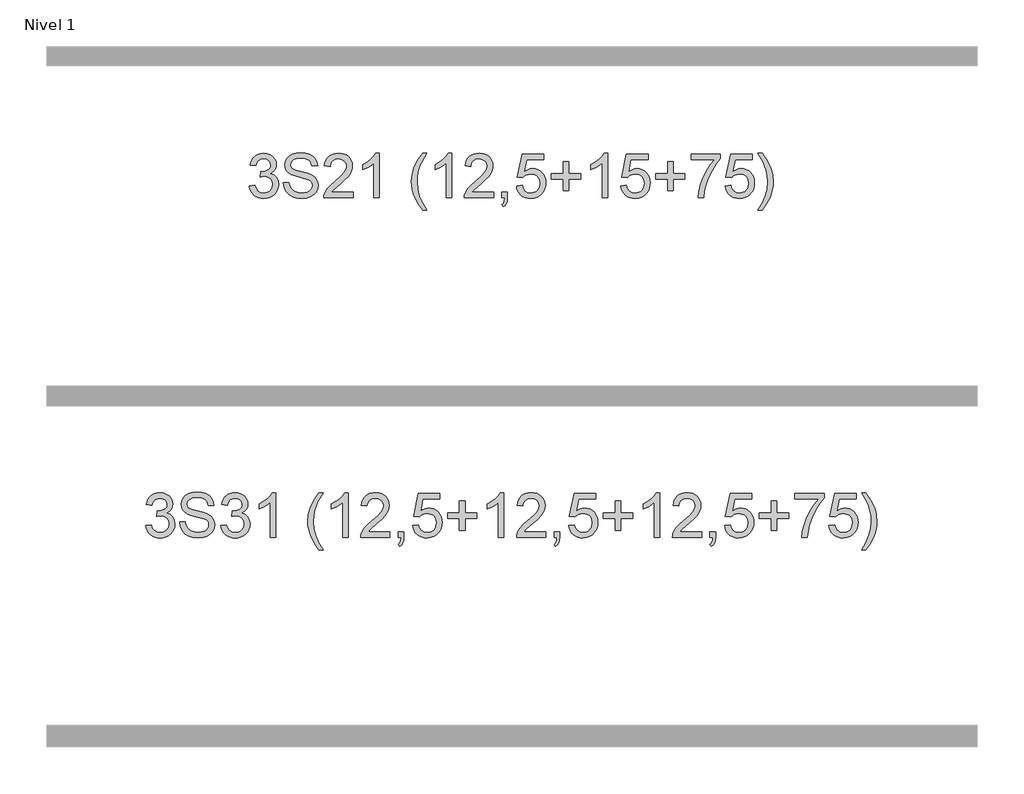
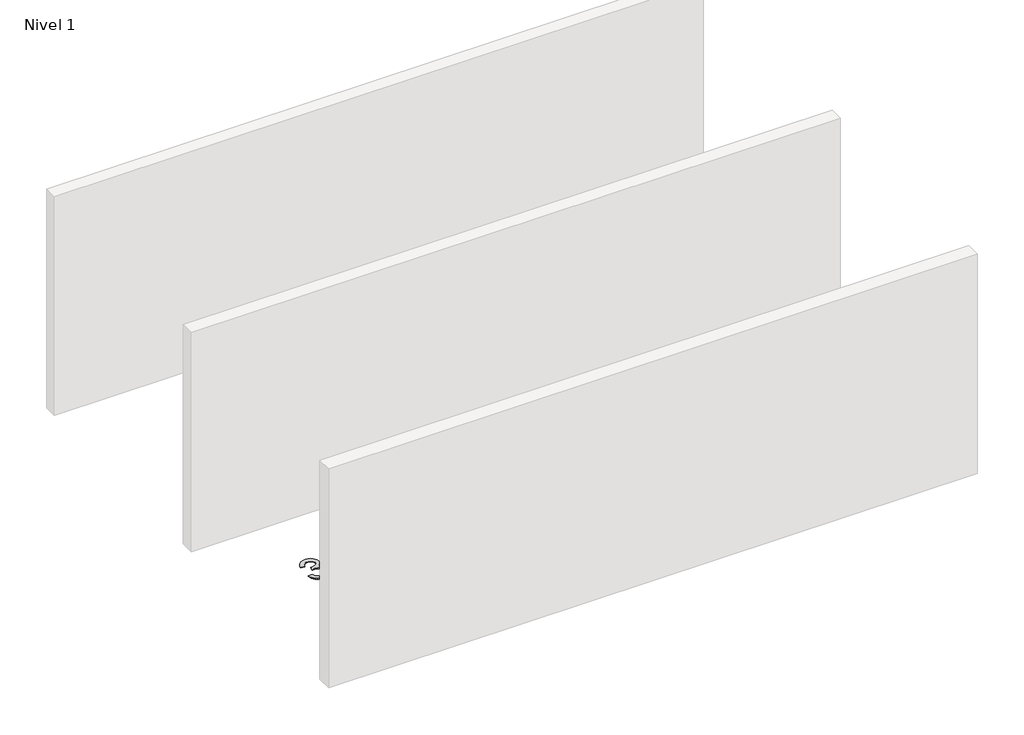
# One storey, part 2 of 13: 2 proxies.
"""IFC4 building model written with IfcOpenShell, lengths in millimetres."""

import ifcopenshell
import ifcopenshell.guid

model = None  # the IFC model being written
_history = None  # IfcOwnerHistory: only IFC2X3 demands one
_inside = {}  # id of a spatial element -> (the spatial element, [elements in it])
_under = {}  # id of a project, library or spatial element -> (it, [spatial elements below it])
_declared = {}  # id of a project -> (the project, [libraries it declares])
_typed = {}  # id of a type object -> (the type object, [elements of that type])
_made_of = {}  # id of a material, layer set ... -> (it, [elements and type objects made of it])


def new_model(schema):
    """Start an empty IFC model of exactly this schema.

    Asked for "IFC4X3", IfcOpenShell would pick the latest addendum, in which some entities
    have other attributes; the version numbers below select the first issue.
    IFC2X3 requires an IfcOwnerHistory on every rooted entity: one is made here for all.
    """
    global model, _history
    if schema == "IFC4X3":
        model = ifcopenshell.file(schema_version=(4, 3, 0, 0))
    else:
        model = ifcopenshell.file(schema=schema)
    _inside.clear()
    _under.clear()
    _declared.clear()
    _typed.clear()
    _made_of.clear()
    _history = None
    if model.schema == "IFC2X3":
        org = make("IfcOrganization", Name="unknown")
        user = make(
            "IfcPersonAndOrganization",
            ThePerson=make("IfcPerson", FamilyName="unknown"),
            TheOrganization=org,
        )
        app = make(
            "IfcApplication",
            ApplicationDeveloper=org,
            Version="unknown",
            ApplicationFullName="unknown",
            ApplicationIdentifier="unknown",
        )
        _history = make(
            "IfcOwnerHistory",
            OwningUser=user,
            OwningApplication=app,
            ChangeAction="ADDED",
            CreationDate=0,
        )
    return model


def make(cls, **values):
    """One entity of the class cls with the attributes given. An attribute that is None is left unset."""
    return model.create_entity(
        cls, **{name: value for name, value in values.items() if value is not None}
    )


def rooted(cls, **values):
    """An entity with a GlobalId (a new one), such as an element, a storey or a relation."""
    return make(cls, GlobalId=ifcopenshell.guid.new(), OwnerHistory=_history, **values)


def si_unit(unit_type, name, prefix=None):
    """IfcSIUnit, for example si_unit("LENGTHUNIT", "METRE", prefix="MILLI")."""
    return make("IfcSIUnit", UnitType=unit_type, Prefix=prefix, Name=name)


def assignment(units):
    """IfcUnitAssignment: the units of a project."""
    return None if units is None else make("IfcUnitAssignment", Units=units)


def point(xyz):
    """IfcCartesianPoint."""
    return None if xyz is None else make("IfcCartesianPoint", Coordinates=xyz)


def direction(xyz):
    """IfcDirection."""
    return None if xyz is None else make("IfcDirection", DirectionRatios=xyz)


def frame(location, z_axis=None, x_axis=None):
    """IfcAxis2Placement3D, a coordinate frame: its origin and axes. An axis left out is left unset."""
    return make(
        "IfcAxis2Placement3D",
        Location=point(location),
        Axis=direction(z_axis),
        RefDirection=direction(x_axis),
    )


def origin():
    """The frame at (0, 0, 0) with its axes left unset."""
    return frame((0.0, 0.0, 0.0))


def origin_with_axes():
    """The frame at (0, 0, 0) with the z axis (0, 0, 1) and the x axis (1, 0, 0) written out."""
    return frame((0.0, 0.0, 0.0), z_axis=(0.0, 0.0, 1.0), x_axis=(1.0, 0.0, 0.0))


def place(relative_to, where):
    """IfcLocalPlacement: puts the frame where relative to a parent placement (None: the world)."""
    return make(
        "IfcLocalPlacement", PlacementRelTo=relative_to, RelativePlacement=where
    )


def context(
    kind, dimensions, precision=None, world=None, true_north=None, identifier=None
):
    """IfcGeometricRepresentationContext, for example the 3D "Model" context."""
    return make(
        "IfcGeometricRepresentationContext",
        ContextIdentifier=identifier,
        ContextType=kind,
        CoordinateSpaceDimension=dimensions,
        Precision=precision,
        WorldCoordinateSystem=world,
        TrueNorth=true_north,
    )


def project(units=None, contexts=None):
    """IfcProject with its units and contexts."""
    return rooted(
        "IfcProject",
        Name="project",
        RepresentationContexts=contexts,
        UnitsInContext=assignment(units),
    )


def spatial(cls, under=None, at=None, **own):
    """A site, building, storey or space (cls), placed at a placement, below another one or the project."""
    s = rooted(cls, ObjectPlacement=at, **own)
    if under is not None:
        _under.setdefault(under.id(), (under, []))[1].append(s)
    return s


def polyline(points):
    """IfcPolyline through the points."""
    return make("IfcPolyline", Points=[point(p) for p in points])


def outline(outer, holes=None, kind="AREA"):
    """IfcArbitraryClosedProfileDef: a profile drawn as a closed curve; with holes, ...WithVoids."""
    if holes is None:
        return make("IfcArbitraryClosedProfileDef", ProfileType=kind, OuterCurve=outer)
    return make(
        "IfcArbitraryProfileDefWithVoids",
        ProfileType=kind,
        OuterCurve=outer,
        InnerCurves=holes,
    )


def extrude(swept, where, along, depth):
    """IfcExtrudedAreaSolid: the profile swept, set in the frame where, extruded along a direction by depth."""
    return make(
        "IfcExtrudedAreaSolid",
        SweptArea=swept,
        Position=where,
        ExtrudedDirection=direction(along),
        Depth=depth,
    )


def shape(context_of_items, identifier, shape_type, items):
    """IfcShapeRepresentation: the items that make up one representation, for example the "Body"."""
    return make(
        "IfcShapeRepresentation",
        ContextOfItems=context_of_items,
        RepresentationIdentifier=identifier,
        RepresentationType=shape_type,
        Items=items,
    )


def made_of(thing, what):
    """Note that an element or type object is made of a material, layer set ...; save() writes the relation."""
    if what is not None:
        _made_of.setdefault(what.id(), (what, []))[1].append(thing)
    return thing


def element(
    cls,
    number,
    at=None,
    inside=None,
    cuts=None,
    type_object=None,
    material=None,
    context=None,
    identifier="Body",
    shape_type=None,
    held_by="IfcProductDefinitionShape",
    body=None,
    shapes=None,
    **own,
):
    """One element of the class cls, such as IfcWall. Its Tag is "e" and its number.

    at: its placement. inside: the storey or other place that contains it. cuts: it is an
    opening in that element (IfcRelVoidsElement). A single representation is given by context,
    identifier, shape_type and body (its items); several are given by shapes. held_by: the class
    of the entity that holds the representations. save() writes the other relations.
    """
    e = rooted(cls, Tag="e%d" % number, ObjectPlacement=at, **own)
    if body is not None:
        shapes = [shape(context, identifier, shape_type, body)]
    if shapes is not None:
        e.Representation = make(held_by, Representations=shapes)
    if inside is not None:
        _inside.setdefault(inside.id(), (inside, []))[1].append(e)
    if cuts is not None:
        rooted(
            "IfcRelVoidsElement", RelatingBuildingElement=cuts, RelatedOpeningElement=e
        )
    if type_object is not None:
        _typed.setdefault(type_object.id(), (type_object, []))[1].append(e)
    return made_of(e, material)


def aggregate(whole, parts):
    """IfcRelAggregates: a whole, such as a stair, and the parts it consists of."""
    return rooted("IfcRelAggregates", RelatingObject=whole, RelatedObjects=parts)


def save(model, path):
    """Write the relations noted so far, then the file.

    IfcRelAggregates (storeys below a building ...), IfcRelContainedInSpatialStructure (elements
    in a storey), IfcRelDefinesByType, IfcRelAssociatesMaterial and IfcRelDeclares: one each for
    every whole, place, type object, material and project.
    """
    for whole, parts in _under.values():
        aggregate(whole, parts)
    for where, things in _inside.values():
        rooted(
            "IfcRelContainedInSpatialStructure",
            RelatedElements=things,
            RelatingStructure=where,
        )
    for kind, things in _typed.values():
        rooted("IfcRelDefinesByType", RelatedObjects=things, RelatingType=kind)
    for what, things in _made_of.values():
        rooted("IfcRelAssociatesMaterial", RelatedObjects=things, RelatingMaterial=what)
    for by, libraries in _declared.values():
        rooted("IfcRelDeclares", RelatingContext=by, RelatedDefinitions=libraries)
    model.write(path)


model = new_model("IFC4")

# Units and contexts
model_context = context("Model", 3, world=origin())
ifc_project = project(units=[si_unit("LENGTHUNIT", "METRE", prefix="MILLI")], contexts=[model_context])

# Site, building, storey
site = spatial("IfcSite", under=ifc_project)
building = spatial("IfcBuilding", under=site)
storey = spatial("IfcBuildingStorey", under=building, Name="Nivel 1", Elevation=0.0)

# Proxies
placement = place(None, origin())
element("IfcBuildingElementProxy", 1, Name="Texto de modelo 1", ObjectType="Texto de modelo 1", at=placement, inside=storey, context=model_context, shape_type="SweptSolid", body=[
    extrude(outline(polyline([(-24347.5590659, -17078.8446235), (-24297.3309108, -17072.5661041), (-24286.0859845, -17104.1303793), (-24269.6171339, -17125.4430095), (-24247.1150185, -17137.5831154), (-24217.770298, -17141.6298173), (-24183.3365433, -17136.0625364), (-24169.0627219, -17129.1034354), (-24156.7509378, -17119.3606939), (-24139.7547896, -17094.4428201), (-24134.0894068, -17064.2274455), (-24139.7057386, -17035.5449126), (-24156.554734, -17012.2825078), (-24182.061219, -16996.8682522), (-24213.6500197, -16991.730167), (-24248.8685893, -16997.2238715), (-24243.276783, -16946.9957164), (-24235.2324301, -16947.5843276), (-24205.1396829, -16943.979084), (-24178.2352463, -16933.1633534), (-24167.1619982, -16924.9841103), (-24159.2525353, -16914.8673555), (-24154.5068576, -16902.8130888), (-24152.924965, -16888.8213102), (-24157.5112272, -16867.1285352), (-24171.2700138, -16849.5315131), (-24192.263813, -16837.8696539), (-24218.5551129, -16833.9823675), (-24244.8954638, -16837.9064421), (-24266.4288232, -16849.6786659), (-24282.1496472, -16869.299039), (-24291.0523915, -16896.7675613), (-24341.2805465, -16890.4890419), (-24335.3269896, -16866.5092672), (-24326.4916903, -16845.3867093), (-24314.7746488, -16827.1213683), (-24300.1758649, -16811.713244), (-24283.1551913, -16799.4811677), (-24264.1724803, -16790.7439703), (-24243.2277321, -16785.5016519), (-24220.3209465, -16783.7542124), (-24188.7444086, -16787.2000404), (-24159.7430446, -16797.5375245), (-24135.2911547, -16813.8469596), (-24117.3630388, -16835.2086408), (-24106.3633671, -16859.8199463), (-24102.6968099, -16885.8782543), (-24106.1794261, -16910.1584659), (-24116.6272748, -16932.1823347), (-24133.8932031, -16950.9443165), (-24157.8300583, -16965.4388671), (-24126.3884104, -16978.1430586), (-24103.0892174, -16999.77452), (-24088.6682432, -17029.1560286), (-24083.8612518, -17065.1103623), (-24086.2647475, -17090.5923218), (-24093.4752346, -17114.0631931), (-24105.4927131, -17135.5229762), (-24122.317183, -17154.971671), (-24142.8143415, -17171.1094278), (-24165.8498858, -17182.636397), (-24191.4238158, -17189.5525785), (-24219.5361316, -17191.8579724), (-24244.9445147, -17189.8898037), (-24268.096555, -17183.9852977), (-24288.9922523, -17174.1444543), (-24307.6316067, -17160.3672736), (-24323.2604601, -17143.4630959), (-24335.1246545, -17124.2412617), (-24343.2241897, -17102.7017708), (-24347.5590659, -17078.8446235)])), origin_with_axes(), (0.0, 0.0, 1.0), 10.0),
    extrude(outline(polyline([(-24039.9116161, -17047.4520265), (-23989.683461, -17047.4520265), (-23983.9199764, -17075.325219), (-23973.4966532, -17097.7292325), (-23957.236269, -17115.5101956), (-23933.9616015, -17129.5142369), (-23905.5120605, -17138.6009222), (-23873.7270561, -17141.6298173), (-23845.743499, -17139.3366862), (-23821.2425582, -17132.4572929), (-23801.3891931, -17121.5679858), (-23787.3483637, -17107.2451135), (-23778.9974424, -17090.8007883), (-23776.2138019, -17073.5471227), (-23778.2984666, -17056.7349155), (-23784.5524605, -17042.2035767), (-23797.2566521, -17029.8059535), (-23818.6919097, -17019.394893), (-23891.8268503, -17000.2159784), (-23939.8354507, -16987.5240495), (-23970.5535973, -16975.4452573), (-23995.5573102, -16958.547211), (-24013.2769596, -16938.0684466), (-24023.8351729, -16914.4504225), (-24027.3545773, -16888.1345972), (-24023.001307, -16858.7163003), (-24009.9414962, -16831.2845662), (-23988.5185014, -16808.0344241), (-23959.075679, -16791.1609032), (-23923.734482, -16780.8969956), (-23884.6163632, -16777.475693), (-23842.2363573, -16781.0564111), (-23805.1538522, -16791.7985654), (-23774.693223, -16809.4814266), (-23752.1788449, -16833.8842656), (-23737.929549, -16863.4865035), (-23732.2641663, -16896.7675613), (-23782.4923213, -16896.7675613), (-23791.7138967, -16866.7974414), (-23800.0770807, -16854.9393785), (-23810.9418623, -16845.1659801), (-23840.9855586, -16832.0693811), (-23882.6543259, -16827.7038481), (-23925.3041119, -16832.0203302), (-23941.6074156, -16837.4159328), (-23954.5629932, -16844.9697764), (-23971.485565, -16864.0260637), (-23977.1264222, -16886.6630692), (-23973.1287712, -16905.9646112), (-23961.1358182, -16921.4892314), (-23932.7843791, -16935.3706453), (-23879.1226587, -16949.5463649), (-23823.7441557, -16963.0108459), (-23790.2423687, -16974.7585443), (-23761.6088867, -16992.9809658), (-23741.6328944, -17015.4708184), (-23729.8974587, -17041.9828475), (-23725.9856469, -17072.2717985), (-23730.4860699, -17103.2351997), (-23743.9873392, -17132.359191), (-23765.9376315, -17157.4242176), (-23795.7851241, -17176.2107248), (-23831.6781441, -17187.9461605), (-23871.7650188, -17191.8579724), (-23920.975367, -17187.6395922), (-23961.4791747, -17174.9844515), (-23993.7424257, -17153.8434995), (-24018.2311038, -17124.1676853), (-24033.9519278, -17088.0171479), (-24039.9116161, -17047.4520265)])), origin_with_axes(), (0.0, 0.0, 1.0), 10.0),
    extrude(outline(polyline([(-23412.0596776, -17135.3512979), (-23412.0596776, -17185.579453), (-23675.7574918, -17185.579453), (-23674.6538458, -17167.8965918), (-23670.3618892, -17150.9494945), (-23657.9765287, -17123.8856424), (-23639.8522091, -17097.6311307), (-23613.6344855, -17070.1503456), (-23576.9689134, -17039.4076736), (-23522.7676327, -16991.2641831), (-23490.2468644, -16955.7267824), (-23473.9864802, -16926.884834), (-23468.5663521, -16898.8277005), (-23473.6799118, -16873.6768347), (-23489.020591, -16852.7688747), (-23512.6018269, -16838.6789943), (-23542.4370567, -16833.9823675), (-23573.76834, -16838.5686297), (-23598.1098653, -16852.3274163), (-23613.8184265, -16874.1796068), (-23619.2508173, -16903.0460807), (-23669.4789724, -16896.7675613), (-23665.1594246, -16870.838012), (-23657.3020784, -16848.1826125), (-23645.9069336, -16828.8013627), (-23630.9739902, -16812.6942627), (-23612.8466049, -16800.0329907), (-23591.8681342, -16790.989225), (-23568.0385779, -16785.5629655), (-23541.3579362, -16783.7542124), (-23514.4381712, -16785.7653006), (-23490.4798563, -16791.7985654), (-23469.4829914, -16801.8540066), (-23451.4475766, -16815.9316242), (-23436.962223, -16832.9890861), (-23426.6155419, -16851.9840598), (-23420.4075333, -16872.9165453), (-23418.338197, -16895.7865427), (-23420.5700145, -16919.8092369), (-23427.2654668, -16943.4149983), (-23439.1480552, -16967.4254299), (-23456.9412811, -16992.6621347), (-23485.3049829, -17022.7916701), (-23528.8989993, -17061.4805933), (-23586.680998, -17109.795762), (-23609.3425289, -17135.3512979), (-23412.0596776, -17135.3512979)])), origin_with_axes(), (0.0, 0.0, 1.0), 10.0),
    extrude(outline(polyline([(-23173.475941, -17185.579453), (-23223.7040961, -17185.579453), (-23223.7040961, -16872.4382987), (-23244.6733698, -16889.3976587), (-23271.2835008, -16906.3324932), (-23324.1604063, -16931.6918254), (-23324.1604063, -16884.2105225), (-23284.7111937, -16862.7507395), (-23250.5349563, -16837.219729), (-23223.5937315, -16810.0700378), (-23205.8495566, -16783.7542124), (-23173.475941, -16783.7542124), (-23173.475941, -17185.579453)])), origin_with_axes(), (0.0, 0.0, 1.0), 10.0),
    extrude(outline(polyline([(-22784.2077392, -17298.5928019), (-22823.1296543, -17243.9745884), (-22855.5277953, -17180.7724616), (-22868.2749065, -17146.7188516), (-22877.3799859, -17112.0521049), (-22882.8430335, -17076.7722216), (-22884.6640494, -17040.8792016), (-22879.2193958, -16978.4618897), (-22862.8854352, -16918.7423792), (-22830.4627687, -16851.101143), (-22784.2077392, -16783.7542124), (-22746.5366229, -16783.7542124), (-22793.5274164, -16863.3148252), (-22809.5670714, -16901.0840434), (-22821.7807537, -16940.4228914), (-22831.2721091, -16990.6755719), (-22834.4358943, -17041.1735072), (-22828.9421898, -17105.565119), (-22812.4610764, -17169.9322055), (-22784.9925541, -17234.2747664), (-22746.5366229, -17298.5928019), (-22784.2077392, -17298.5928019)])), origin_with_axes(), (0.0, 0.0, 1.0), 10.0),
    extrude(outline(polyline([(-22520.5099251, -17185.579453), (-22570.7380801, -17185.579453), (-22570.7380801, -16872.4382987), (-22591.7073539, -16889.3976587), (-22618.3174849, -16906.3324932), (-22671.1943903, -16931.6918254), (-22671.1943903, -16884.2105225), (-22631.7451777, -16862.7507395), (-22597.5689403, -16837.219729), (-22570.6277155, -16810.0700378), (-22552.8835406, -16783.7542124), (-22520.5099251, -16783.7542124), (-22520.5099251, -17185.579453)])), origin_with_axes(), (0.0, 0.0, 1.0), 10.0),
    extrude(outline(polyline([(-22143.798762, -17135.3512979), (-22143.798762, -17185.579453), (-22407.4965762, -17185.579453), (-22406.3929302, -17167.8965918), (-22402.1009736, -17150.9494945), (-22389.7156131, -17123.8856424), (-22371.5912934, -17097.6311307), (-22345.3735699, -17070.1503456), (-22308.7079977, -17039.4076736), (-22254.5067171, -16991.2641831), (-22221.9859487, -16955.7267824), (-22205.7255645, -16926.884834), (-22200.3054365, -16898.8277005), (-22205.4189962, -16873.6768347), (-22220.7596754, -16852.7688747), (-22244.3409113, -16838.6789943), (-22274.1761411, -16833.9823675), (-22305.5074244, -16838.5686297), (-22329.8489497, -16852.3274163), (-22345.5575109, -16874.1796068), (-22350.9899017, -16903.0460807), (-22401.2180568, -16896.7675613), (-22396.898509, -16870.838012), (-22389.0411627, -16848.1826125), (-22377.6460179, -16828.8013627), (-22362.7130746, -16812.6942627), (-22344.5856893, -16800.0329907), (-22323.6072185, -16790.989225), (-22299.7776623, -16785.5629655), (-22273.0970206, -16783.7542124), (-22246.1772556, -16785.7653006), (-22222.2189406, -16791.7985654), (-22201.2220758, -16801.8540066), (-22183.186661, -16815.9316242), (-22168.7013074, -16832.9890861), (-22158.3546263, -16851.9840598), (-22152.1466176, -16872.9165453), (-22150.0772814, -16895.7865427), (-22152.3090988, -16919.8092369), (-22159.0045511, -16943.4149983), (-22170.8871396, -16967.4254299), (-22188.6803654, -16992.6621347), (-22217.0440672, -17022.7916701), (-22260.6380837, -17061.4805933), (-22318.4200824, -17109.795762), (-22341.0816133, -17135.3512979), (-22143.798762, -17135.3512979)])), origin_with_axes(), (0.0, 0.0, 1.0), 10.0),
    extrude(outline(polyline([(-22068.4565294, -17185.579453), (-22068.4565294, -17135.3512979), (-22018.2283743, -17135.3512979), (-22018.2283743, -17185.579453), (-22020.4847172, -17214.3110368), (-22027.2537459, -17236.9357795), (-22038.9278679, -17254.287547), (-22055.8994906, -17267.200205), (-22068.4565294, -17248.3646468), (-22057.5672223, -17239.2656988), (-22050.0133787, -17226.6841346), (-22045.4271165, -17209.246528), (-22043.4405537, -17185.579453), (-22068.4565294, -17185.579453)])), origin_with_axes(), (0.0, 0.0, 1.0), 10.0),
    extrude(outline(polyline([(-21936.6076223, -17078.8446235), (-21886.3794673, -17072.5661041), (-21877.1578919, -17102.7201649), (-21861.069186, -17124.3148381), (-21838.1869259, -17137.3010725), (-21808.584688, -17141.6298173), (-21789.4548243, -17140.1245668), (-21772.5813034, -17135.6088153), (-21757.9641255, -17128.0825628), (-21745.6032904, -17117.5458094), (-21735.7747098, -17104.519721), (-21728.7542951, -17089.5254641), (-21723.1379633, -17053.6324441), (-21728.3986758, -17019.8363514), (-21734.9745665, -17005.9181493), (-21744.1808134, -16993.9865099), (-21756.0480734, -16984.4154467), (-21770.6070034, -16977.5789729), (-21807.7998731, -16972.1097939), (-21832.1659239, -16974.2925604), (-21851.8966616, -16980.8408599), (-21867.6542737, -16990.8717757), (-21880.1009479, -17003.5023908), (-21930.3291029, -16997.2238715), (-21886.3794673, -16790.0327318), (-21691.7453663, -16790.0327318), (-21691.7453663, -16840.2608869), (-21845.765295, -16840.2608869), (-21867.2496035, -16950.919791), (-21849.5238227, -16938.2155994), (-21831.3688462, -16929.1411769), (-21812.7846741, -16923.6965234), (-21793.7713063, -16921.8816388), (-21769.3102193, -16924.1318504), (-21746.8418265, -16930.882485), (-21726.3661278, -16942.1335427), (-21707.8831232, -16957.8850234), (-21692.5822979, -16977.1743027), (-21681.6531369, -16999.038756), (-21675.0956404, -17023.4783832), (-21672.9098082, -17050.4931844), (-21674.8779769, -17076.5147042), (-21680.7824829, -17100.7213394), (-21690.6233263, -17123.1130902), (-21704.400507, -17143.6899565), (-21725.2716788, -17164.7634634), (-21749.6254669, -17179.8159684), (-21777.4618712, -17188.8474714), (-21808.7808917, -17191.8579724), (-21834.701244, -17189.9235262), (-21858.1138673, -17184.1201877), (-21879.0187617, -17174.447957), (-21897.4159271, -17160.9068338), (-21912.7228838, -17144.1712688), (-21924.3571519, -17124.915712), (-21932.3187314, -17103.1401636), (-21936.6076223, -17078.8446235)])), origin_with_axes(), (0.0, 0.0, 1.0), 10.0),
    extrude(outline(polyline([(-21515.9468236, -17122.7942591), (-21515.9468236, -17016.0594296), (-21622.6816531, -17016.0594296), (-21622.6816531, -16965.8312745), (-21515.9468236, -16965.8312745), (-21515.9468236, -16859.096445), (-21465.7186685, -16859.096445), (-21465.7186685, -16965.8312745), (-21358.983839, -16965.8312745), (-21358.983839, -17016.0594296), (-21465.7186685, -17016.0594296), (-21465.7186685, -17122.7942591), (-21515.9468236, -17122.7942591)])), origin_with_axes(), (0.0, 0.0, 1.0), 10.0),
    extrude(outline(polyline([(-21114.121583, -17185.579453), (-21164.3497381, -17185.579453), (-21164.3497381, -16872.4382987), (-21185.3190118, -16889.3976587), (-21211.9291428, -16906.3324932), (-21264.8060482, -16931.6918254), (-21264.8060482, -16884.2105225), (-21225.3568356, -16862.7507395), (-21191.1805982, -16837.219729), (-21164.2393735, -16810.0700378), (-21146.4951986, -16783.7542124), (-21114.121583, -16783.7542124), (-21114.121583, -17185.579453)])), origin_with_axes(), (0.0, 0.0, 1.0), 10.0),
    extrude(outline(polyline([(-20994.8297147, -17078.8446235), (-20944.6015596, -17072.5661041), (-20935.3799843, -17102.7201649), (-20919.2912783, -17124.3148381), (-20896.4090182, -17137.3010725), (-20866.8067804, -17141.6298173), (-20847.6769166, -17140.1245668), (-20830.8033958, -17135.6088153), (-20816.1862178, -17128.0825628), (-20803.8253828, -17117.5458094), (-20793.9968021, -17104.519721), (-20786.9763874, -17089.5254641), (-20781.3600556, -17053.6324441), (-20786.6207681, -17019.8363514), (-20793.1966588, -17005.9181493), (-20802.4029057, -16993.9865099), (-20814.2701658, -16984.4154467), (-20828.8290957, -16977.5789729), (-20866.0219654, -16972.1097939), (-20890.3880162, -16974.2925604), (-20910.1187539, -16980.8408599), (-20925.876366, -16990.8717757), (-20938.3230402, -17003.5023908), (-20988.5511953, -16997.2238715), (-20944.6015596, -16790.0327318), (-20749.9674587, -16790.0327318), (-20749.9674587, -16840.2608869), (-20903.9873873, -16840.2608869), (-20925.4716958, -16950.919791), (-20907.745915, -16938.2155994), (-20889.5909386, -16929.1411769), (-20871.0067665, -16923.6965234), (-20851.9933987, -16921.8816388), (-20827.5323117, -16924.1318504), (-20805.0639188, -16930.882485), (-20784.5882201, -16942.1335427), (-20766.1052155, -16957.8850234), (-20750.8043902, -16977.1743027), (-20739.8752293, -16999.038756), (-20733.3177327, -17023.4783832), (-20731.1319005, -17050.4931844), (-20733.1000692, -17076.5147042), (-20739.0045752, -17100.7213394), (-20748.8454186, -17123.1130902), (-20762.6225993, -17143.6899565), (-20783.4937712, -17164.7634634), (-20807.8475593, -17179.8159684), (-20835.6839636, -17188.8474714), (-20867.0029841, -17191.8579724), (-20892.9233363, -17189.9235262), (-20916.3359596, -17184.1201877), (-20937.240854, -17174.447957), (-20955.6380195, -17160.9068338), (-20970.9449761, -17144.1712688), (-20982.5792442, -17124.915712), (-20990.5408237, -17103.1401636), (-20994.8297147, -17078.8446235)])), origin_with_axes(), (0.0, 0.0, 1.0), 10.0),
    extrude(outline(polyline([(-20574.1689159, -17122.7942591), (-20574.1689159, -17016.0594296), (-20680.9037455, -17016.0594296), (-20680.9037455, -16965.8312745), (-20574.1689159, -16965.8312745), (-20574.1689159, -16859.096445), (-20523.9407608, -16859.096445), (-20523.9407608, -16965.8312745), (-20417.2059313, -16965.8312745), (-20417.2059313, -17016.0594296), (-20523.9407608, -17016.0594296), (-20523.9407608, -17122.7942591), (-20574.1689159, -17122.7942591)])), origin_with_axes(), (0.0, 0.0, 1.0), 10.0),
    extrude(outline(polyline([(-20360.6992569, -16840.2608869), (-20360.6992569, -16790.0327318), (-20097.0014427, -16790.0327318), (-20097.0014427, -16830.646904), (-20134.5867199, -16878.214046), (-20171.8041151, -16938.7061088), (-20204.6314518, -17006.6048623), (-20229.0465535, -17076.3920768), (-20241.0149811, -17128.6067947), (-20247.6859079, -17185.579453), (-20297.914063, -17185.579453), (-20292.4816722, -17133.8061935), (-20277.9503334, -17072.2717985), (-20254.712454, -17007.0463207), (-20223.1604416, -16944.1998132), (-20186.3231911, -16887.3865704), (-20147.2295978, -16840.2608869), (-20360.6992569, -16840.2608869)])), origin_with_axes(), (0.0, 0.0, 1.0), 10.0),
    extrude(outline(polyline([(-20053.051807, -17078.8446235), (-20002.8236519, -17072.5661041), (-19993.6020766, -17102.7201649), (-19977.5133707, -17124.3148381), (-19954.6311106, -17137.3010725), (-19925.0288727, -17141.6298173), (-19905.899009, -17140.1245668), (-19889.0254881, -17135.6088153), (-19874.4083102, -17128.0825628), (-19862.0474751, -17117.5458094), (-19852.2188945, -17104.519721), (-19845.1984797, -17089.5254641), (-19839.582148, -17053.6324441), (-19844.8428605, -17019.8363514), (-19851.4187511, -17005.9181493), (-19860.6249981, -16993.9865099), (-19872.4922581, -16984.4154467), (-19887.0511881, -16977.5789729), (-19924.2440578, -16972.1097939), (-19948.6101086, -16974.2925604), (-19968.3408463, -16980.8408599), (-19984.0984584, -16990.8717757), (-19996.5451326, -17003.5023908), (-20046.7732876, -16997.2238715), (-20002.8236519, -16790.0327318), (-19808.189551, -16790.0327318), (-19808.189551, -16840.2608869), (-19962.2094797, -16840.2608869), (-19983.6937882, -16950.919791), (-19965.9680074, -16938.2155994), (-19947.8130309, -16929.1411769), (-19929.2288588, -16923.6965234), (-19910.215491, -16921.8816388), (-19885.754404, -16924.1318504), (-19863.2860112, -16930.882485), (-19842.8103125, -16942.1335427), (-19824.3273079, -16957.8850234), (-19809.0264826, -16977.1743027), (-19798.0973216, -16999.038756), (-19791.5398251, -17023.4783832), (-19789.3539929, -17050.4931844), (-19791.3221616, -17076.5147042), (-19797.2266676, -17100.7213394), (-19807.0675109, -17123.1130902), (-19820.8446917, -17143.6899565), (-19841.7158635, -17164.7634634), (-19866.0696516, -17179.8159684), (-19893.9060559, -17188.8474714), (-19925.2250764, -17191.8579724), (-19951.1454287, -17189.9235262), (-19974.558052, -17184.1201877), (-19995.4629464, -17174.447957), (-20013.8601118, -17160.9068338), (-20029.1670685, -17144.1712688), (-20040.8013366, -17124.915712), (-20048.7629161, -17103.1401636), (-20053.051807, -17078.8446235)])), origin_with_axes(), (0.0, 0.0, 1.0), 10.0),
    extrude(outline(polyline([(-19720.2902797, -17298.5928019), (-19757.961396, -17298.5928019), (-19719.5054647, -17234.2747664), (-19692.0369424, -17169.9322055), (-19675.555829, -17105.565119), (-19670.0621246, -17041.1735072), (-19673.2259097, -16991.0434539), (-19682.7172652, -16941.3058082), (-19694.7102183, -16901.8933838), (-19710.6762968, -16864.0996401), (-19757.961396, -16783.7542124), (-19720.2902797, -16783.7542124), (-19674.0352501, -16851.101143), (-19641.6125836, -16918.7423792), (-19625.278623, -16978.4618897), (-19619.8339695, -17040.8792016), (-19621.6641824, -17076.7722216), (-19627.1548212, -17112.0521049), (-19636.3058858, -17146.7188516), (-19649.1173763, -17180.7724616), (-19681.5523056, -17243.9745884), (-19720.2902797, -17298.5928019)])), origin_with_axes(), (0.0, 0.0, 1.0), 10.0),
])
element("IfcBuildingElementProxy", 2, Name="Texto de modelo 1", ObjectType="Texto de modelo 1", at=placement, inside=storey, context=model_context, shape_type="SweptSolid", body=[
    extrude(outline(polyline([(-25283.0584542, -20143.8446235), (-25232.8302991, -20137.5661041), (-25221.5853728, -20169.1303793), (-25205.1165221, -20190.4430095), (-25182.6144068, -20202.5831154), (-25153.2696863, -20206.6298173), (-25118.8359315, -20201.0625364), (-25104.5621101, -20194.1034354), (-25092.250326, -20184.3606939), (-25075.2541778, -20159.4428201), (-25069.5887951, -20129.2274455), (-25075.2051269, -20100.5449126), (-25092.0541223, -20077.2825078), (-25117.5606073, -20061.8682522), (-25149.1494079, -20056.730167), (-25184.3679776, -20062.2238715), (-25178.7761713, -20011.9957164), (-25170.7318183, -20012.5843276), (-25140.6390711, -20008.979084), (-25113.7346345, -19998.1633534), (-25102.6613865, -19989.9841103), (-25094.7519236, -19979.8673555), (-25090.0062458, -19967.8130888), (-25088.4243533, -19953.8213102), (-25093.0106155, -19932.1285352), (-25106.7694021, -19914.5315131), (-25127.7632013, -19902.8696539), (-25154.0545012, -19898.9823675), (-25180.3948521, -19902.9064421), (-25201.9282115, -19914.6786659), (-25217.6490354, -19934.299039), (-25226.5517797, -19961.7675613), (-25276.7799348, -19955.4890419), (-25270.8263778, -19931.5092672), (-25261.9910786, -19910.3867093), (-25250.274037, -19892.1213683), (-25235.6752532, -19876.713244), (-25218.6545796, -19864.4811677), (-25199.6718686, -19855.7439703), (-25178.7271204, -19850.5016519), (-25155.8203348, -19848.7542124), (-25124.2437969, -19852.2000404), (-25095.2424329, -19862.5375245), (-25070.790543, -19878.8469596), (-25052.8624271, -19900.2086408), (-25041.8627554, -19924.8199463), (-25038.1961982, -19950.8782543), (-25041.6788144, -19975.1584659), (-25052.1266631, -19997.1823347), (-25069.3925914, -20015.9443165), (-25093.3294465, -20030.4388671), (-25061.8877987, -20043.1430586), (-25038.5886057, -20064.77452), (-25024.1676314, -20094.1560286), (-25019.36064, -20130.1103623), (-25021.7641357, -20155.5923218), (-25028.9746228, -20179.0631931), (-25040.9921014, -20200.5229762), (-25057.8165713, -20219.971671), (-25078.3137298, -20236.1094278), (-25101.349274, -20247.636397), (-25126.9232041, -20254.5525785), (-25155.0355199, -20256.8579724), (-25180.443903, -20254.8898037), (-25203.5959432, -20248.9852977), (-25224.4916406, -20239.1444543), (-25243.130995, -20225.3672736), (-25258.7598484, -20208.4630959), (-25270.6240427, -20189.2412617), (-25278.723578, -20167.7017708), (-25283.0584542, -20143.8446235)])), origin_with_axes(), (0.0, 0.0, 1.0), 10.0),
    extrude(outline(polyline([(-24975.4110044, -20112.4520265), (-24925.1828493, -20112.4520265), (-24919.4193647, -20140.325219), (-24908.9960415, -20162.7292325), (-24892.7356573, -20180.5101956), (-24869.4609897, -20194.5142369), (-24841.0114488, -20203.6009222), (-24809.2264444, -20206.6298173), (-24781.2428873, -20204.3366862), (-24756.7419464, -20197.4572929), (-24736.8885814, -20186.5679858), (-24722.8477519, -20172.2451135), (-24714.4968306, -20155.8007883), (-24711.7131902, -20138.5471227), (-24713.7978548, -20121.7349155), (-24720.0518488, -20107.2035767), (-24732.7560403, -20094.8059535), (-24754.1912979, -20084.394893), (-24827.3262386, -20065.2159784), (-24875.3348389, -20052.5240495), (-24906.0529855, -20040.4452573), (-24931.0566985, -20023.547211), (-24948.7763479, -20003.0684466), (-24959.3345612, -19979.4504225), (-24962.8539656, -19953.1345972), (-24958.5006953, -19923.7163003), (-24945.4408845, -19896.2845662), (-24924.0178896, -19873.0344241), (-24894.5750673, -19856.1609032), (-24859.2338703, -19845.8969956), (-24820.1157515, -19842.475693), (-24777.7357456, -19846.0564111), (-24740.6532405, -19856.7985654), (-24710.1926113, -19874.4814266), (-24687.6782332, -19898.8842656), (-24673.4289372, -19928.4865035), (-24667.7635545, -19961.7675613), (-24717.9917096, -19961.7675613), (-24727.2132849, -19931.7974414), (-24735.576469, -19919.9393785), (-24746.4412506, -19910.1659801), (-24776.4849468, -19897.0693811), (-24818.1537141, -19892.7038481), (-24860.8035001, -19897.0203302), (-24877.1068039, -19902.4159328), (-24890.0623815, -19909.9697764), (-24906.9849532, -19929.0260637), (-24912.6258105, -19951.6630692), (-24908.6281595, -19970.9646112), (-24896.6352065, -19986.4892314), (-24868.2837674, -20000.3706453), (-24814.622047, -20014.5463649), (-24759.243544, -20028.0108459), (-24725.741757, -20039.7585443), (-24697.108275, -20057.9809658), (-24677.1322827, -20080.4708184), (-24665.396847, -20106.9828475), (-24661.4850351, -20137.2717985), (-24665.9854582, -20168.2351997), (-24679.4867274, -20197.359191), (-24701.4370198, -20222.4242176), (-24731.2845124, -20241.2107248), (-24767.1775323, -20252.9461605), (-24807.2644071, -20256.8579724), (-24856.4747553, -20252.6395922), (-24896.978563, -20239.9844515), (-24929.241814, -20218.8434995), (-24953.7304921, -20189.1676853), (-24969.451316, -20153.0171479), (-24975.4110044, -20112.4520265)])), origin_with_axes(), (0.0, 0.0, 1.0), 10.0),
    extrude(outline(polyline([(-24604.9783607, -20143.8446235), (-24554.7502056, -20137.5661041), (-24543.5052793, -20169.1303793), (-24527.0364286, -20190.4430095), (-24504.5343133, -20202.5831154), (-24475.1895928, -20206.6298173), (-24440.755838, -20201.0625364), (-24426.4820166, -20194.1034354), (-24414.1702325, -20184.3606939), (-24397.1740843, -20159.4428201), (-24391.5087016, -20129.2274455), (-24397.1250334, -20100.5449126), (-24413.9740288, -20077.2825078), (-24439.4805138, -20061.8682522), (-24471.0693144, -20056.730167), (-24506.2878841, -20062.2238715), (-24500.6960778, -20011.9957164), (-24492.6517248, -20012.5843276), (-24462.5589776, -20008.979084), (-24435.654541, -19998.1633534), (-24424.581293, -19989.9841103), (-24416.6718301, -19979.8673555), (-24411.9261523, -19967.8130888), (-24410.3442598, -19953.8213102), (-24414.930522, -19932.1285352), (-24428.6893086, -19914.5315131), (-24449.6831078, -19902.8696539), (-24475.9744077, -19898.9823675), (-24502.3147586, -19902.9064421), (-24523.848118, -19914.6786659), (-24539.5689419, -19934.299039), (-24548.4716862, -19961.7675613), (-24598.6998413, -19955.4890419), (-24592.7462843, -19931.5092672), (-24583.9109851, -19910.3867093), (-24572.1939435, -19892.1213683), (-24557.5951597, -19876.713244), (-24540.5744861, -19864.4811677), (-24521.5917751, -19855.7439703), (-24500.6470268, -19850.5016519), (-24477.7402413, -19848.7542124), (-24446.1637034, -19852.2000404), (-24417.1623394, -19862.5375245), (-24392.7104495, -19878.8469596), (-24374.7823336, -19900.2086408), (-24363.7826619, -19924.8199463), (-24360.1161047, -19950.8782543), (-24363.5987209, -19975.1584659), (-24374.0465696, -19997.1823347), (-24391.3124979, -20015.9443165), (-24415.249353, -20030.4388671), (-24383.8077052, -20043.1430586), (-24360.5085121, -20064.77452), (-24346.0875379, -20094.1560286), (-24341.2805465, -20130.1103623), (-24343.6840422, -20155.5923218), (-24350.8945293, -20179.0631931), (-24362.9120078, -20200.5229762), (-24379.7364778, -20219.971671), (-24400.2336363, -20236.1094278), (-24423.2691805, -20247.636397), (-24448.8431106, -20254.5525785), (-24476.9554264, -20256.8579724), (-24502.3638095, -20254.8898037), (-24525.5158497, -20248.9852977), (-24546.411547, -20239.1444543), (-24565.0509015, -20225.3672736), (-24580.6797549, -20208.4630959), (-24592.5439492, -20189.2412617), (-24600.6434845, -20167.7017708), (-24604.9783607, -20143.8446235)])), origin_with_axes(), (0.0, 0.0, 1.0), 10.0),
    extrude(outline(polyline([(-24108.9753293, -20250.579453), (-24159.2034844, -20250.579453), (-24159.2034844, -19937.4382987), (-24180.1727581, -19954.3976587), (-24206.7828891, -19971.3324932), (-24259.6597945, -19996.6918254), (-24259.6597945, -19949.2105225), (-24220.2105819, -19927.7507395), (-24186.0343446, -19902.219729), (-24159.0931198, -19875.0700378), (-24141.3489449, -19848.7542124), (-24108.9753293, -19848.7542124), (-24108.9753293, -20250.579453)])), origin_with_axes(), (0.0, 0.0, 1.0), 10.0),
    extrude(outline(polyline([(-23719.7071275, -20363.5928019), (-23758.6290426, -20308.9745884), (-23791.0271836, -20245.7724616), (-23803.7742947, -20211.7188516), (-23812.8793741, -20177.0521049), (-23818.3424218, -20141.7722216), (-23820.1634376, -20105.8792016), (-23814.7187841, -20043.4618897), (-23798.3848235, -19983.7423792), (-23765.962157, -19916.101143), (-23719.7071275, -19848.7542124), (-23682.0360112, -19848.7542124), (-23729.0268047, -19928.3148252), (-23745.0664597, -19966.0840434), (-23757.2801419, -20005.4228914), (-23766.7714974, -20055.6755719), (-23769.9352826, -20106.1735072), (-23764.4415781, -20170.565119), (-23747.9604647, -20234.9322055), (-23720.4919424, -20299.2747664), (-23682.0360112, -20363.5928019), (-23719.7071275, -20363.5928019)])), origin_with_axes(), (0.0, 0.0, 1.0), 10.0),
    extrude(outline(polyline([(-23456.0093133, -20250.579453), (-23506.2374684, -20250.579453), (-23506.2374684, -19937.4382987), (-23527.2067421, -19954.3976587), (-23553.8168731, -19971.3324932), (-23606.6937786, -19996.6918254), (-23606.6937786, -19949.2105225), (-23567.2445659, -19927.7507395), (-23533.0683286, -19902.219729), (-23506.1271038, -19875.0700378), (-23488.3829289, -19848.7542124), (-23456.0093133, -19848.7542124), (-23456.0093133, -20250.579453)])), origin_with_axes(), (0.0, 0.0, 1.0), 10.0),
    extrude(outline(polyline([(-23079.2981503, -20200.3512979), (-23079.2981503, -20250.579453), (-23342.9959644, -20250.579453), (-23341.8923184, -20232.8965918), (-23337.6003618, -20215.9494945), (-23325.2150013, -20188.8856424), (-23307.0906817, -20162.6311307), (-23280.8729582, -20135.1503456), (-23244.207386, -20104.4076736), (-23190.0061054, -20056.2641831), (-23157.485337, -20020.7267824), (-23141.2249528, -19991.884834), (-23135.8048247, -19963.8277005), (-23140.9183845, -19938.6768347), (-23156.2590637, -19917.7688747), (-23179.8402996, -19903.6789943), (-23209.6755294, -19898.9823675), (-23241.0068126, -19903.5686297), (-23265.348338, -19917.3274163), (-23281.0568992, -19939.1796068), (-23286.48929, -19968.0460807), (-23336.717445, -19961.7675613), (-23332.3978973, -19935.838012), (-23324.540551, -19913.1826125), (-23313.1454062, -19893.8013627), (-23298.2124629, -19877.6942627), (-23280.0850776, -19865.0329907), (-23259.1066068, -19855.989225), (-23235.2770505, -19850.5629655), (-23208.5964088, -19848.7542124), (-23181.6766439, -19850.7653006), (-23157.7183289, -19856.7985654), (-23136.721464, -19866.8540066), (-23118.6860492, -19880.9316242), (-23104.2006957, -19897.9890861), (-23093.8540146, -19916.9840598), (-23087.6460059, -19937.9165453), (-23085.5766697, -19960.7865427), (-23087.8084871, -19984.8092369), (-23094.5039394, -20008.4149983), (-23106.3865279, -20032.4254299), (-23124.1797537, -20057.6621347), (-23152.5434555, -20087.7916701), (-23196.1374719, -20126.4805933), (-23253.9194707, -20174.795762), (-23276.5810016, -20200.3512979), (-23079.2981503, -20200.3512979)])), origin_with_axes(), (0.0, 0.0, 1.0), 10.0),
    extrude(outline(polyline([(-23003.9559177, -20250.579453), (-23003.9559177, -20200.3512979), (-22953.7277626, -20200.3512979), (-22953.7277626, -20250.579453), (-22955.9841055, -20279.3110368), (-22962.7531342, -20301.9357795), (-22974.4272562, -20319.287547), (-22991.3988789, -20332.200205), (-23003.9559177, -20313.3646468), (-22993.0666106, -20304.2656988), (-22985.512767, -20291.6841346), (-22980.9265048, -20274.246528), (-22978.939942, -20250.579453), (-23003.9559177, -20250.579453)])), origin_with_axes(), (0.0, 0.0, 1.0), 10.0),
    extrude(outline(polyline([(-22872.1070106, -20143.8446235), (-22821.8788555, -20137.5661041), (-22812.6572802, -20167.7201649), (-22796.5685743, -20189.3148381), (-22773.6863142, -20202.3010725), (-22744.0840763, -20206.6298173), (-22724.9542125, -20205.1245668), (-22708.0806917, -20200.6088153), (-22693.4635137, -20193.0825628), (-22681.1026787, -20182.5458094), (-22671.2740981, -20169.519721), (-22664.2536833, -20154.5254641), (-22658.6373515, -20118.6324441), (-22663.8980641, -20084.8363514), (-22670.4739547, -20070.9181493), (-22679.6802017, -20058.9865099), (-22691.5474617, -20049.4154467), (-22706.1063916, -20042.5789729), (-22743.2992614, -20037.1097939), (-22767.6653122, -20039.2925604), (-22787.3960498, -20045.8408599), (-22803.153662, -20055.8717757), (-22815.6003361, -20068.5023908), (-22865.8284912, -20062.2238715), (-22821.8788555, -19855.0327318), (-22627.2447546, -19855.0327318), (-22627.2447546, -19905.2608869), (-22781.2646833, -19905.2608869), (-22802.7489918, -20015.919791), (-22785.023211, -20003.2155994), (-22766.8682345, -19994.1411769), (-22748.2840624, -19988.6965234), (-22729.2706946, -19986.8816388), (-22704.8096076, -19989.1318504), (-22682.3412147, -19995.882485), (-22661.865516, -20007.1335427), (-22643.3825115, -20022.8850234), (-22628.0816861, -20042.1743027), (-22617.1525252, -20064.038756), (-22610.5950286, -20088.4783832), (-22608.4091965, -20115.4931844), (-22610.3773651, -20141.5147042), (-22616.2818711, -20165.7213394), (-22626.1227145, -20188.1130902), (-22639.8998952, -20208.6899565), (-22660.7710671, -20229.7634634), (-22685.1248552, -20244.8159684), (-22712.9612595, -20253.8474714), (-22744.28028, -20256.8579724), (-22770.2006322, -20254.9235262), (-22793.6132556, -20249.1201877), (-22814.5181499, -20239.447957), (-22832.9153154, -20225.9068338), (-22848.2222721, -20209.1712688), (-22859.8565402, -20189.915712), (-22867.8181197, -20168.1401636), (-22872.1070106, -20143.8446235)])), origin_with_axes(), (0.0, 0.0, 1.0), 10.0),
    extrude(outline(polyline([(-22451.4462118, -20187.7942591), (-22451.4462118, -20081.0594296), (-22558.1810414, -20081.0594296), (-22558.1810414, -20030.8312745), (-22451.4462118, -20030.8312745), (-22451.4462118, -19924.096445), (-22401.2180568, -19924.096445), (-22401.2180568, -20030.8312745), (-22294.4832272, -20030.8312745), (-22294.4832272, -20081.0594296), (-22401.2180568, -20081.0594296), (-22401.2180568, -20187.7942591), (-22451.4462118, -20187.7942591)])), origin_with_axes(), (0.0, 0.0, 1.0), 10.0),
    extrude(outline(polyline([(-22049.6209712, -20250.579453), (-22099.8491263, -20250.579453), (-22099.8491263, -19937.4382987), (-22120.8184, -19954.3976587), (-22147.428531, -19971.3324932), (-22200.3054365, -19996.6918254), (-22200.3054365, -19949.2105225), (-22160.8562239, -19927.7507395), (-22126.6799865, -19902.219729), (-22099.7387617, -19875.0700378), (-22081.9945868, -19848.7542124), (-22049.6209712, -19848.7542124), (-22049.6209712, -20250.579453)])), origin_with_axes(), (0.0, 0.0, 1.0), 10.0),
    extrude(outline(polyline([(-21672.9098082, -20200.3512979), (-21672.9098082, -20250.579453), (-21936.6076223, -20250.579453), (-21935.5039763, -20232.8965918), (-21931.2120197, -20215.9494945), (-21918.8266592, -20188.8856424), (-21900.7023396, -20162.6311307), (-21874.4846161, -20135.1503456), (-21837.8190439, -20104.4076736), (-21783.6177633, -20056.2641831), (-21751.0969949, -20020.7267824), (-21734.8366107, -19991.884834), (-21729.4164826, -19963.8277005), (-21734.5300424, -19938.6768347), (-21749.8707216, -19917.7688747), (-21773.4519575, -19903.6789943), (-21803.2871873, -19898.9823675), (-21834.6184705, -19903.5686297), (-21858.9599959, -19917.3274163), (-21874.6685571, -19939.1796068), (-21880.1009479, -19968.0460807), (-21930.3291029, -19961.7675613), (-21926.0095552, -19935.838012), (-21918.1522089, -19913.1826125), (-21906.7570641, -19893.8013627), (-21891.8241208, -19877.6942627), (-21873.6967355, -19865.0329907), (-21852.7182647, -19855.989225), (-21828.8887085, -19850.5629655), (-21802.2080668, -19848.7542124), (-21775.2883018, -19850.7653006), (-21751.3299868, -19856.7985654), (-21730.3331219, -19866.8540066), (-21712.2977071, -19880.9316242), (-21697.8123536, -19897.9890861), (-21687.4656725, -19916.9840598), (-21681.2576638, -19937.9165453), (-21679.1883276, -19960.7865427), (-21681.420145, -19984.8092369), (-21688.1155973, -20008.4149983), (-21699.9981858, -20032.4254299), (-21717.7914116, -20057.6621347), (-21746.1551134, -20087.7916701), (-21789.7491299, -20126.4805933), (-21847.5311286, -20174.795762), (-21870.1926595, -20200.3512979), (-21672.9098082, -20200.3512979)])), origin_with_axes(), (0.0, 0.0, 1.0), 10.0),
    extrude(outline(polyline([(-21597.5675756, -20250.579453), (-21597.5675756, -20200.3512979), (-21547.3394205, -20200.3512979), (-21547.3394205, -20250.579453), (-21549.5957634, -20279.3110368), (-21556.3647921, -20301.9357795), (-21568.0389141, -20319.287547), (-21585.0105368, -20332.200205), (-21597.5675756, -20313.3646468), (-21586.6782685, -20304.2656988), (-21579.1244249, -20291.6841346), (-21574.5381627, -20274.246528), (-21572.5515999, -20250.579453), (-21597.5675756, -20250.579453)])), origin_with_axes(), (0.0, 0.0, 1.0), 10.0),
    extrude(outline(polyline([(-21465.7186685, -20143.8446235), (-21415.4905134, -20137.5661041), (-21406.2689381, -20167.7201649), (-21390.1802322, -20189.3148381), (-21367.2979721, -20202.3010725), (-21337.6957342, -20206.6298173), (-21318.5658704, -20205.1245668), (-21301.6923496, -20200.6088153), (-21287.0751716, -20193.0825628), (-21274.7143366, -20182.5458094), (-21264.885756, -20169.519721), (-21257.8653412, -20154.5254641), (-21252.2490094, -20118.6324441), (-21257.509722, -20084.8363514), (-21264.0856126, -20070.9181493), (-21273.2918596, -20058.9865099), (-21285.1591196, -20049.4154467), (-21299.7180495, -20042.5789729), (-21336.9109193, -20037.1097939), (-21361.2769701, -20039.2925604), (-21381.0077077, -20045.8408599), (-21396.7653199, -20055.8717757), (-21409.211994, -20068.5023908), (-21459.4401491, -20062.2238715), (-21415.4905134, -19855.0327318), (-21220.8564125, -19855.0327318), (-21220.8564125, -19905.2608869), (-21374.8763412, -19905.2608869), (-21396.3606497, -20015.919791), (-21378.6348689, -20003.2155994), (-21360.4798924, -19994.1411769), (-21341.8957203, -19988.6965234), (-21322.8823525, -19986.8816388), (-21298.4212655, -19989.1318504), (-21275.9528727, -19995.882485), (-21255.4771739, -20007.1335427), (-21236.9941694, -20022.8850234), (-21221.693344, -20042.1743027), (-21210.7641831, -20064.038756), (-21204.2066865, -20088.4783832), (-21202.0208544, -20115.4931844), (-21203.989023, -20141.5147042), (-21209.8935291, -20165.7213394), (-21219.7343724, -20188.1130902), (-21233.5115531, -20208.6899565), (-21254.382725, -20229.7634634), (-21278.7365131, -20244.8159684), (-21306.5729174, -20253.8474714), (-21337.8919379, -20256.8579724), (-21363.8122902, -20254.9235262), (-21387.2249135, -20249.1201877), (-21408.1298078, -20239.447957), (-21426.5269733, -20225.9068338), (-21441.83393, -20209.1712688), (-21453.4681981, -20189.915712), (-21461.4297776, -20168.1401636), (-21465.7186685, -20143.8446235)])), origin_with_axes(), (0.0, 0.0, 1.0), 10.0),
    extrude(outline(polyline([(-21045.0578697, -20187.7942591), (-21045.0578697, -20081.0594296), (-21151.7926993, -20081.0594296), (-21151.7926993, -20030.8312745), (-21045.0578697, -20030.8312745), (-21045.0578697, -19924.096445), (-20994.8297147, -19924.096445), (-20994.8297147, -20030.8312745), (-20888.0948851, -20030.8312745), (-20888.0948851, -20081.0594296), (-20994.8297147, -20081.0594296), (-20994.8297147, -20187.7942591), (-21045.0578697, -20187.7942591)])), origin_with_axes(), (0.0, 0.0, 1.0), 10.0),
    extrude(outline(polyline([(-20643.2326292, -20250.579453), (-20693.4607842, -20250.579453), (-20693.4607842, -19937.4382987), (-20714.430058, -19954.3976587), (-20741.0401889, -19971.3324932), (-20793.9170944, -19996.6918254), (-20793.9170944, -19949.2105225), (-20754.4678818, -19927.7507395), (-20720.2916444, -19902.219729), (-20693.3504196, -19875.0700378), (-20675.6062447, -19848.7542124), (-20643.2326292, -19848.7542124), (-20643.2326292, -20250.579453)])), origin_with_axes(), (0.0, 0.0, 1.0), 10.0),
    extrude(outline(polyline([(-20266.5214661, -20200.3512979), (-20266.5214661, -20250.579453), (-20530.2192802, -20250.579453), (-20529.1156342, -20232.8965918), (-20524.8236776, -20215.9494945), (-20512.4383171, -20188.8856424), (-20494.3139975, -20162.6311307), (-20468.096274, -20135.1503456), (-20431.4307018, -20104.4076736), (-20377.2294212, -20056.2641831), (-20344.7086528, -20020.7267824), (-20328.4482686, -19991.884834), (-20323.0281405, -19963.8277005), (-20328.1417003, -19938.6768347), (-20343.4823795, -19917.7688747), (-20367.0636154, -19903.6789943), (-20396.8988452, -19898.9823675), (-20428.2301284, -19903.5686297), (-20452.5716538, -19917.3274163), (-20468.280215, -19939.1796068), (-20473.7126058, -19968.0460807), (-20523.9407608, -19961.7675613), (-20519.6212131, -19935.838012), (-20511.7638668, -19913.1826125), (-20500.368722, -19893.8013627), (-20485.4357787, -19877.6942627), (-20467.3083934, -19865.0329907), (-20446.3299226, -19855.989225), (-20422.5003664, -19850.5629655), (-20395.8197247, -19848.7542124), (-20368.8999597, -19850.7653006), (-20344.9416447, -19856.7985654), (-20323.9447799, -19866.8540066), (-20305.909365, -19880.9316242), (-20291.4240115, -19897.9890861), (-20281.0773304, -19916.9840598), (-20274.8693217, -19937.9165453), (-20272.7999855, -19960.7865427), (-20275.0318029, -19984.8092369), (-20281.7272552, -20008.4149983), (-20293.6098437, -20032.4254299), (-20311.4030695, -20057.6621347), (-20339.7667713, -20087.7916701), (-20383.3607878, -20126.4805933), (-20441.1427865, -20174.795762), (-20463.8043174, -20200.3512979), (-20266.5214661, -20200.3512979)])), origin_with_axes(), (0.0, 0.0, 1.0), 10.0),
    extrude(outline(polyline([(-20191.1792335, -20250.579453), (-20191.1792335, -20200.3512979), (-20140.9510784, -20200.3512979), (-20140.9510784, -20250.579453), (-20143.2074213, -20279.3110368), (-20149.97645, -20301.9357795), (-20161.650572, -20319.287547), (-20178.6221947, -20332.200205), (-20191.1792335, -20313.3646468), (-20180.2899264, -20304.2656988), (-20172.7360828, -20291.6841346), (-20168.1498206, -20274.246528), (-20166.1632578, -20250.579453), (-20191.1792335, -20250.579453)])), origin_with_axes(), (0.0, 0.0, 1.0), 10.0),
    extrude(outline(polyline([(-20059.3303264, -20143.8446235), (-20009.1021713, -20137.5661041), (-19999.880596, -20167.7201649), (-19983.7918901, -20189.3148381), (-19960.90963, -20202.3010725), (-19931.3073921, -20206.6298173), (-19912.1775283, -20205.1245668), (-19895.3040075, -20200.6088153), (-19880.6868295, -20193.0825628), (-19868.3259945, -20182.5458094), (-19858.4974139, -20169.519721), (-19851.4769991, -20154.5254641), (-19845.8606673, -20118.6324441), (-19851.1213799, -20084.8363514), (-19857.6972705, -20070.9181493), (-19866.9035175, -20058.9865099), (-19878.7707775, -20049.4154467), (-19893.3297074, -20042.5789729), (-19930.5225772, -20037.1097939), (-19954.888628, -20039.2925604), (-19974.6193656, -20045.8408599), (-19990.3769778, -20055.8717757), (-20002.8236519, -20068.5023908), (-20053.051807, -20062.2238715), (-20009.1021713, -19855.0327318), (-19814.4680704, -19855.0327318), (-19814.4680704, -19905.2608869), (-19968.4879991, -19905.2608869), (-19989.9723076, -20015.919791), (-19972.2465268, -20003.2155994), (-19954.0915503, -19994.1411769), (-19935.5073782, -19988.6965234), (-19916.4940104, -19986.8816388), (-19892.0329234, -19989.1318504), (-19869.5645306, -19995.882485), (-19849.0888318, -20007.1335427), (-19830.6058273, -20022.8850234), (-19815.305002, -20042.1743027), (-19804.375841, -20064.038756), (-19797.8183445, -20088.4783832), (-19795.6325123, -20115.4931844), (-19797.6006809, -20141.5147042), (-19803.505187, -20165.7213394), (-19813.3460303, -20188.1130902), (-19827.1232111, -20208.6899565), (-19847.9943829, -20229.7634634), (-19872.348171, -20244.8159684), (-19900.1845753, -20253.8474714), (-19931.5035958, -20256.8579724), (-19957.4239481, -20254.9235262), (-19980.8365714, -20249.1201877), (-20001.7414657, -20239.447957), (-20020.1386312, -20225.9068338), (-20035.4455879, -20209.1712688), (-20047.079856, -20189.915712), (-20055.0414355, -20168.1401636), (-20059.3303264, -20143.8446235)])), origin_with_axes(), (0.0, 0.0, 1.0), 10.0),
    extrude(outline(polyline([(-19638.6695277, -20187.7942591), (-19638.6695277, -20081.0594296), (-19745.4043572, -20081.0594296), (-19745.4043572, -20030.8312745), (-19638.6695277, -20030.8312745), (-19638.6695277, -19924.096445), (-19588.4413726, -19924.096445), (-19588.4413726, -20030.8312745), (-19481.706543, -20030.8312745), (-19481.706543, -20081.0594296), (-19588.4413726, -20081.0594296), (-19588.4413726, -20187.7942591), (-19638.6695277, -20187.7942591)])), origin_with_axes(), (0.0, 0.0, 1.0), 10.0),
    extrude(outline(polyline([(-19425.1998686, -19905.2608869), (-19425.1998686, -19855.0327318), (-19161.5020544, -19855.0327318), (-19161.5020544, -19895.646904), (-19199.0873316, -19943.214046), (-19236.3047268, -20003.7061088), (-19269.1320635, -20071.6048623), (-19293.5471652, -20141.3920768), (-19305.5155928, -20193.6067947), (-19312.1865197, -20250.579453), (-19362.4146747, -20250.579453), (-19356.9822839, -20198.8061935), (-19342.4509451, -20137.2717985), (-19319.2130658, -20072.0463207), (-19287.6610533, -20009.1998132), (-19250.8238029, -19952.3865704), (-19211.7302095, -19905.2608869), (-19425.1998686, -19905.2608869)])), origin_with_axes(), (0.0, 0.0, 1.0), 10.0),
    extrude(outline(polyline([(-19117.5524188, -20143.8446235), (-19067.3242637, -20137.5661041), (-19058.1026883, -20167.7201649), (-19042.0139824, -20189.3148381), (-19019.1317223, -20202.3010725), (-18989.5294844, -20206.6298173), (-18970.3996207, -20205.1245668), (-18953.5260998, -20200.6088153), (-18938.9089219, -20193.0825628), (-18926.5480869, -20182.5458094), (-18916.7195062, -20169.519721), (-18909.6990915, -20154.5254641), (-18904.0827597, -20118.6324441), (-18909.3434722, -20084.8363514), (-18915.9193629, -20070.9181493), (-18925.1256098, -20058.9865099), (-18936.9928698, -20049.4154467), (-18951.5517998, -20042.5789729), (-18988.7446695, -20037.1097939), (-19013.1107203, -20039.2925604), (-19032.841458, -20045.8408599), (-19048.5990701, -20055.8717757), (-19061.0457443, -20068.5023908), (-19111.2738994, -20062.2238715), (-19067.3242637, -19855.0327318), (-18872.6901628, -19855.0327318), (-18872.6901628, -19905.2608869), (-19026.7100914, -19905.2608869), (-19048.1943999, -20015.919791), (-19030.4686191, -20003.2155994), (-19012.3136427, -19994.1411769), (-18993.7294705, -19988.6965234), (-18974.7161028, -19986.8816388), (-18950.2550158, -19989.1318504), (-18927.7866229, -19995.882485), (-18907.3109242, -20007.1335427), (-18888.8279196, -20022.8850234), (-18873.5270943, -20042.1743027), (-18862.5979334, -20064.038756), (-18856.0404368, -20088.4783832), (-18853.8546046, -20115.4931844), (-18855.8227733, -20141.5147042), (-18861.7272793, -20165.7213394), (-18871.5681227, -20188.1130902), (-18885.3453034, -20208.6899565), (-18906.2164753, -20229.7634634), (-18930.5702633, -20244.8159684), (-18958.4066676, -20253.8474714), (-18989.7256882, -20256.8579724), (-19015.6460404, -20254.9235262), (-19039.0586637, -20249.1201877), (-19059.9635581, -20239.447957), (-19078.3607235, -20225.9068338), (-19093.6676802, -20209.1712688), (-19105.3019483, -20189.915712), (-19113.2635278, -20168.1401636), (-19117.5524188, -20143.8446235)])), origin_with_axes(), (0.0, 0.0, 1.0), 10.0),
    extrude(outline(polyline([(-18784.7908914, -20363.5928019), (-18822.4620077, -20363.5928019), (-18784.0060765, -20299.2747664), (-18756.5375542, -20234.9322055), (-18740.0564408, -20170.565119), (-18734.5627363, -20106.1735072), (-18737.7265215, -20056.0434539), (-18747.2178769, -20006.3058082), (-18759.21083, -19966.8933838), (-18775.1769086, -19929.0996401), (-18822.4620077, -19848.7542124), (-18784.7908914, -19848.7542124), (-18738.5358619, -19916.101143), (-18706.1131953, -19983.7423792), (-18689.7792348, -20043.4618897), (-18684.3345812, -20105.8792016), (-18686.1647942, -20141.7722216), (-18691.6554329, -20177.0521049), (-18700.8064976, -20211.7188516), (-18713.617988, -20245.7724616), (-18746.0529173, -20308.9745884), (-18784.7908914, -20363.5928019)])), origin_with_axes(), (0.0, 0.0, 1.0), 10.0),
])

save(model, "model.ifc")
